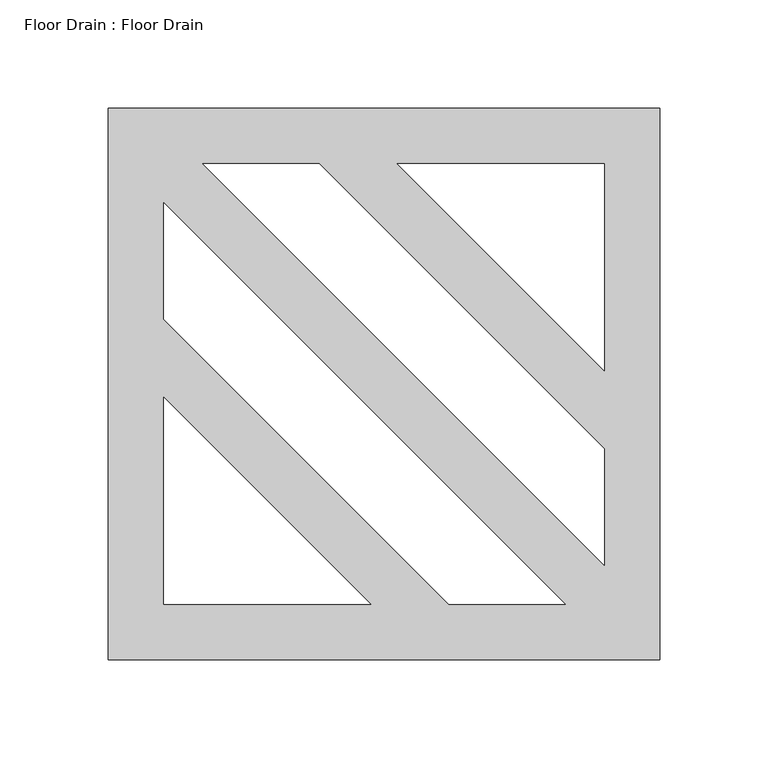
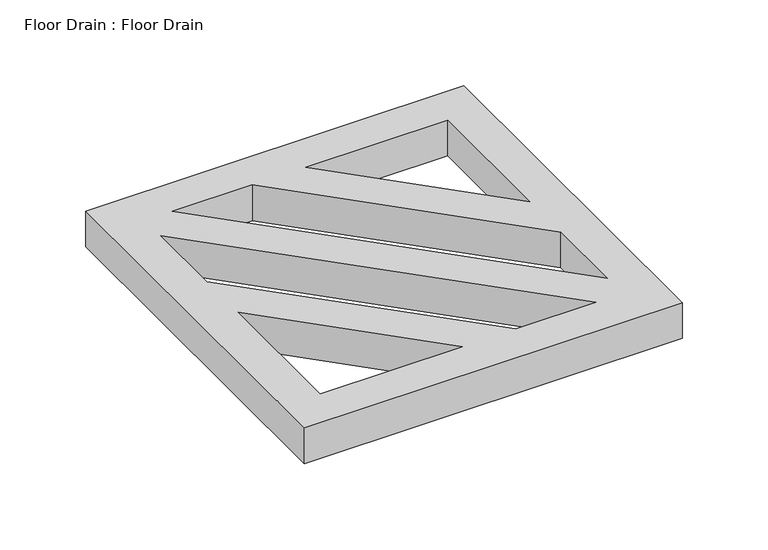
"""IFC4 building model written with IfcOpenShell, lengths in millimetres: proxy geometry, Floor Drain : Floor Drain."""

from ifc_helpers import new_model, si_unit, origin, origin_with_axes, place, context, project, spatial, polyline, outline, extrude, source, transform, mapped, element, save


def floor_drain_floor_drain_aa8b5b32(model_context):
    return source(origin(), model_context, "Body", "SweptSolid", [
        extrude(outline(polyline([(254.0, 0.0), (254.0, -254.0), (0.0, -254.0), (0.0, 0.0), (254.0, 0.0)]), holes=[polyline([(25.4, -133.1630735), (25.4, -228.6), (120.8369265, -228.6), (25.4, -133.1630735)]), polyline([(156.757951, -228.6), (210.6394878, -228.6), (25.4, -43.3605122), (25.4, -97.242049), (156.757951, -228.6)]), polyline([(228.6, -120.8369265), (228.6, -25.4), (133.1630735, -25.4), (228.6, -120.8369265)]), polyline([(97.242049, -25.4), (43.3605122, -25.4), (228.6, -210.6394878), (228.6, -156.757951), (97.242049, -25.4)])]), origin_with_axes(), (0.0, 0.0, 1.0), 25.4),
    ])


if __name__ == "__main__":
    model = new_model("IFC4")
    model_context = context("Model", 3, world=origin())
    ifc_project = project(units=[si_unit("LENGTHUNIT", "METRE", prefix="MILLI")], contexts=[model_context])
    site = spatial("IfcSite", under=ifc_project)
    building = spatial("IfcBuilding", under=site)
    placement = place(None, origin())
    floor_drain_floor_drain_shape = floor_drain_floor_drain_aa8b5b32(model_context)
    element("IfcBuildingElementProxy", 1, Name="Floor Drain : Floor Drain", ObjectType="Floor Drain : Floor Drain", at=placement, inside=building, context=model_context, shape_type="MappedRepresentation", body=[
        mapped(floor_drain_floor_drain_shape, transform((0.0, 0.0, 0.0), x_axis=(1.0, 0.0, 0.0), y_axis=(0.0, 1.0, 0.0), z_axis=(0.0, 0.0, 1.0))),
    ])
    save(model, "model.ifc")
